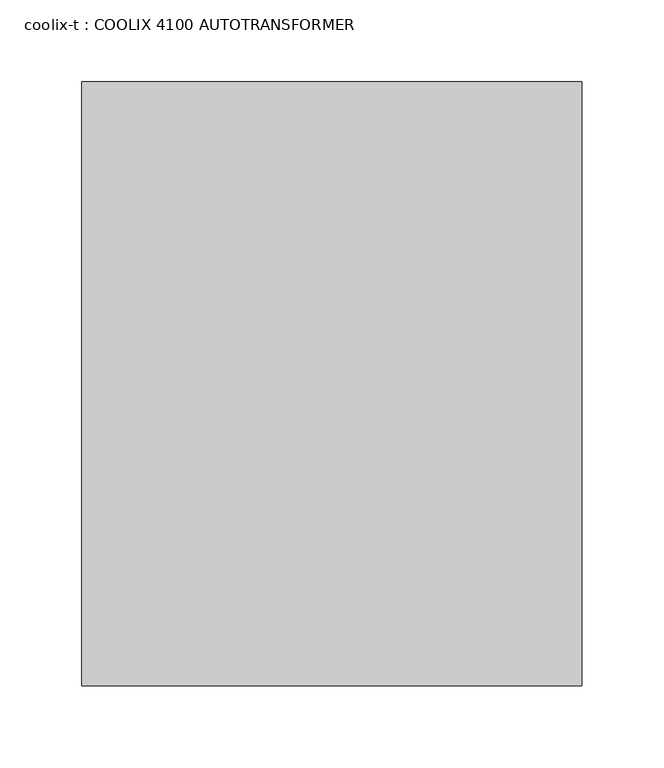
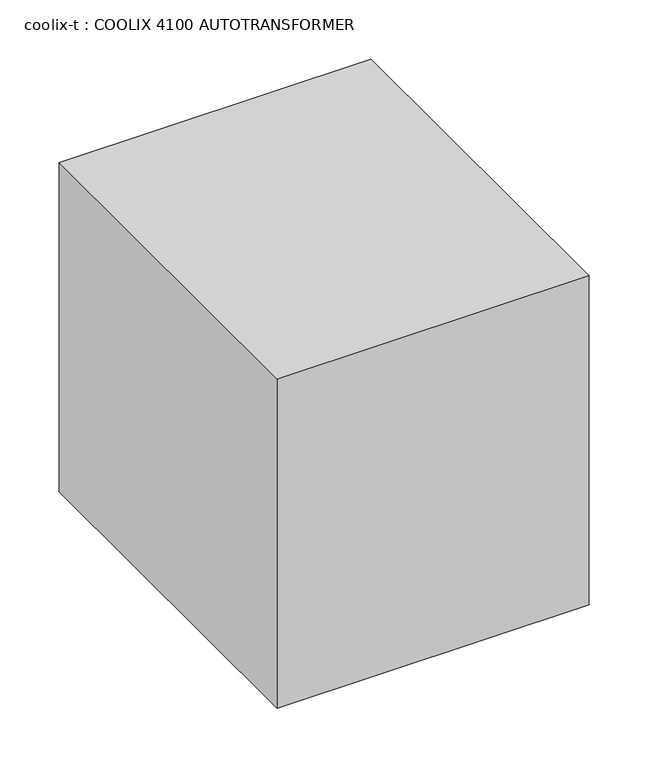
"""IFC4 building model written with IfcOpenShell, lengths in millimetres: proxy geometry, coolix-t : COOLIX 4100 AUTOTRANSFORMER."""

from ifc_helpers import new_model, si_unit, origin, origin_with_axes, place, context, project, spatial, polyline, outline, extrude, source, transform, mapped, element, save


def coolix_t_coolix_4100_autotransformer_67c4bdd7(model_context):
    return source(origin(), model_context, "Body", "SweptSolid", [
        extrude(outline(polyline([(0.0, -88.9), (0.0, -457.2), (-304.8, -457.2), (-304.8, -88.9), (0.0, -88.9)])), origin_with_axes(), (0.0, 0.0, 1.0), 340.3203125),
    ])


if __name__ == "__main__":
    model = new_model("IFC4")
    model_context = context("Model", 3, world=origin())
    ifc_project = project(units=[si_unit("LENGTHUNIT", "METRE", prefix="MILLI")], contexts=[model_context])
    site = spatial("IfcSite", under=ifc_project)
    building = spatial("IfcBuilding", under=site)
    placement = place(None, origin())
    coolix_t_coolix_4100_autotransformer_shape = coolix_t_coolix_4100_autotransformer_67c4bdd7(model_context)
    element("IfcBuildingElementProxy", 1, Name="coolix-t : COOLIX 4100 AUTOTRANSFORMER", ObjectType="coolix-t : COOLIX 4100 AUTOTRANSFORMER", at=placement, inside=building, context=model_context, shape_type="MappedRepresentation", body=[
        mapped(coolix_t_coolix_4100_autotransformer_shape, transform((0.0, 0.0, 0.0), x_axis=(1.0, 0.0, 0.0), y_axis=(0.0, 1.0, 0.0), z_axis=(0.0, 0.0, 1.0))),
    ])
    save(model, "model.ifc")
